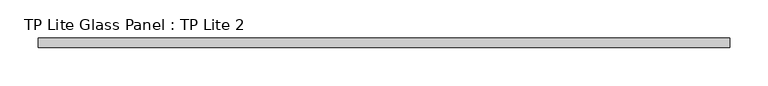
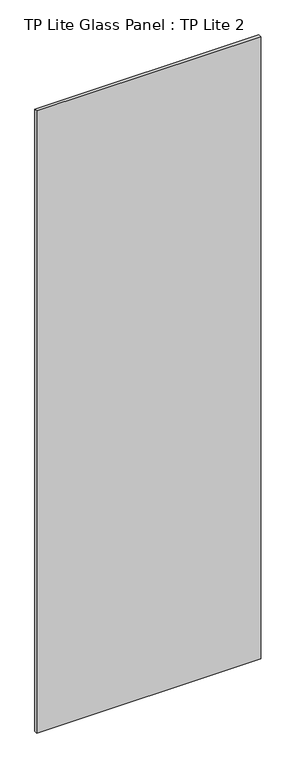
"""IFC4 building model written with IfcOpenShell, lengths in millimetres: plate geometry, TP Lite Glass Panel : TP Lite 2."""

from ifc_helpers import new_model, si_unit, origin, origin_with_axes, place, context, project, spatial, polyline, outline, extrude, source, transform, mapped, element, save


def tp_lite_glass_panel_tp_lite_2_579339c9(model_context):
    return source(origin(), model_context, "Body", "SweptSolid", [
        extrude(outline(polyline([(449.5, 6.0), (449.5, -6.0), (-449.5, -6.0), (-449.5, 6.0), (449.5, 6.0)])), origin_with_axes(), (0.0, 0.0, 1.0), 2640.0000015),
    ])


if __name__ == "__main__":
    model = new_model("IFC4")
    model_context = context("Model", 3, world=origin())
    ifc_project = project(units=[si_unit("LENGTHUNIT", "METRE", prefix="MILLI")], contexts=[model_context])
    site = spatial("IfcSite", under=ifc_project)
    building = spatial("IfcBuilding", under=site)
    placement = place(None, origin())
    tp_lite_glass_panel_tp_lite_2_shape = tp_lite_glass_panel_tp_lite_2_579339c9(model_context)
    element("IfcPlate", 1, ObjectType="TP Lite Glass Panel : TP Lite 2", at=placement, inside=building, context=model_context, shape_type="MappedRepresentation", body=[
        mapped(tp_lite_glass_panel_tp_lite_2_shape, transform((0.0, 0.0, 0.0), x_axis=(1.0, 0.0, 0.0), y_axis=(0.0, 1.0, 0.0), z_axis=(0.0, 0.0, 1.0))),
    ])
    save(model, "model.ifc")
